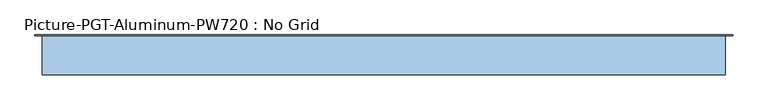
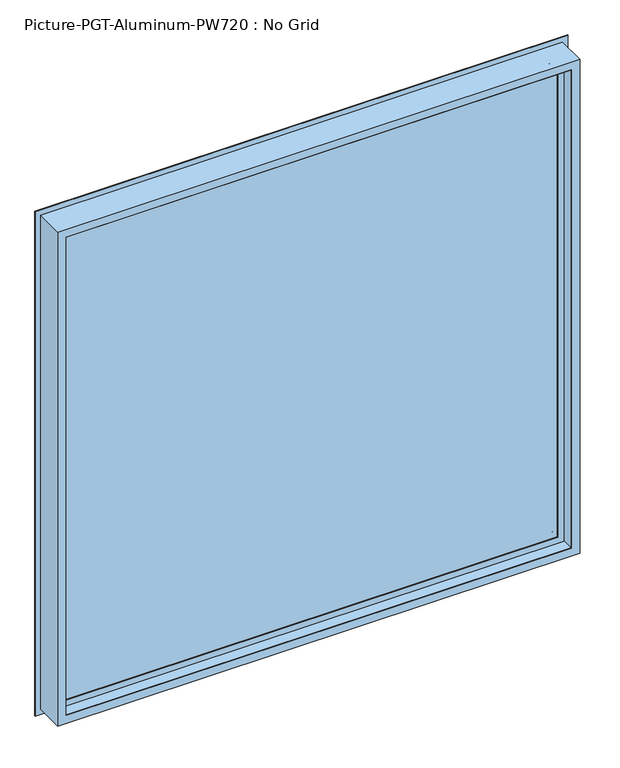
"""IFC4 building model written with IfcOpenShell, lengths in millimetres: window geometry, Picture-PGT-Aluminum-PW720 : No Grid."""

from ifc_helpers import new_model, si_unit, frame, origin, place, context, project, spatial, polyline, ellipse_curve, outline, extrude, source, transform, mapped, element, save
from ifc_brep_helpers import plane_surface, cylinder_surface, advanced_brep


def picture_pgt_aluminum_pw720_no_grid_eeba3cb1(model_context):
    return source(origin(), model_context, "Body", "SolidModel", [
        advanced_brep(
        [(609.5875695, 32.3276931, 2133.5875695), (609.5875695, 101.6, 2133.5875695), (-609.5875695, 101.6, 2133.5875695), (-609.5875695, 32.3276931, 2133.5875695), (590.0895094, 33.6227814, 2114.0895094), (590.0895094, 32.3276931, 2114.0895094), (-590.0895094, 32.3276931, 2114.0895094), (-590.0895094, 33.6227814, 2114.0895094), (589.2129627, 59.9568587, 2113.2129627), (589.2129627, 33.6227814, 2113.2129627), (-589.2129627, 33.6227814, 2113.2129627), (-589.2129627, 59.9568587, 2113.2129627), (574.675, 62.3381325, 2098.675), (574.675, 59.9568587, 2098.675), (-574.675, 59.9568587, 2098.675), (-574.675, 62.3381325, 2098.675), (596.9002227, 92.8191112, 2120.9002227), (596.9002227, 62.3381325, 2120.9002227), (-596.9002227, 62.3381325, 2120.9002227), (-596.9002227, 92.8191112, 2120.9002227), (581.2746717, 90.3414889, 2105.2746717), (581.2746717, 92.8191112, 2105.2746717), (-581.2746717, 92.8191112, 2105.2746717), (-581.2746717, 90.3414889, 2105.2746717), (576.2110864, 92.8191112, 2100.2110864), (576.2110864, 90.3414889, 2100.2110864), (-576.2110864, 90.3414889, 2100.2110864), (-576.2110864, 92.8191112, 2100.2110864), (574.675, 101.6, 2098.675), (574.675, 92.8191112, 2098.675), (-574.675, 92.8191112, 2098.675), (-574.675, 101.6, 2098.675), (596.9002227, 103.0416325, 2120.9002227), (596.9002227, 101.6, 2120.9002227), (-596.9002227, 101.6, 2120.9002227), (-596.9002227, 103.0416325, 2120.9002227), (622.2875695, 101.6, 2146.2875695), (622.2875695, 103.0416325, 2146.2875695), (-622.2875695, 103.0416325, 2146.2875695), (-622.2875695, 101.6, 2146.2875695), (-609.5875695, 101.6, 914.4124305), (-609.5875695, 32.3276931, 914.4124305), (-590.0895094, 32.3276931, 933.9104906), (-590.0895094, 33.6227814, 933.9104906), (-589.2129627, 33.6227814, 934.7870373), (-589.2129627, 59.9568587, 934.7870373), (-574.675, 59.9568587, 949.325), (-574.675, 62.3381325, 949.325), (-596.9002227, 62.3381325, 927.0997773), (-596.9002227, 92.8191112, 927.0997773), (-581.2746717, 92.8191112, 942.7253283), (-581.2746717, 90.3414889, 942.7253283), (-576.2110864, 90.3414889, 947.7889136), (-576.2110864, 92.8191112, 947.7889136), (-574.675, 92.8191112, 949.325), (-574.675, 101.6, 949.325), (-596.9002227, 101.6, 927.0997773), (-596.9002227, 103.0416325, 927.0997773), (-622.2875695, 103.0416325, 901.7124305), (-622.2875695, 101.6, 901.7124305), (609.5875695, 101.6, 914.4124305), (609.5875695, 32.3276931, 914.4124305), (590.0895094, 32.3276931, 933.9104906), (590.0895094, 33.6227814, 933.9104906), (589.2129627, 33.6227814, 934.7870373), (589.2129627, 59.9568587, 934.7870373), (574.675, 59.9568587, 949.325), (574.675, 62.3381325, 949.325), (596.9002227, 62.3381325, 927.0997773), (596.9002227, 92.8191112, 927.0997773), (581.2746717, 92.8191112, 942.7253283), (581.2746717, 90.3414889, 942.7253283), (576.2110864, 90.3414889, 947.7889136), (576.2110864, 92.8191112, 947.7889136), (574.675, 92.8191112, 949.325), (574.675, 101.6, 949.325), (596.9002227, 101.6, 927.0997773), (596.9002227, 103.0416325, 927.0997773), (622.2875695, 103.0416325, 901.7124305), (622.2875695, 101.6, 901.7124305)],
        [
            (0, 1),
            (1, 2),
            (2, 3),
            (3, 0),
            (4, 5),
            (5, 6),
            (6, 7),
            (7, 4),
            (8, 9),
            (9, 10),
            (10, 11),
            (11, 8),
            (12, 13),
            (13, 14),
            (14, 15),
            (15, 12),
            (16, 17),
            (17, 18),
            (18, 19),
            (19, 16),
            (20, 21, ellipse_curve(frame((581.2746717, 91.5803, 2105.2746717), z_axis=(-0.7071067811865475, 0.0, 0.7071067811865475), x_axis=(0.7071067811865476, 0.0, 0.7071067811865474)), 1.7519436, 1.2388112)),
            (21, 22),
            (22, 23, ellipse_curve(frame((-581.2746717, 91.5803, 2105.2746717), z_axis=(0.7071067811865475, 0.0, 0.7071067811865475), x_axis=(0.7071067811865476, 0.0, -0.7071067811865474)), 1.7519436, 1.2388112)),
            (23, 20),
            (24, 25, ellipse_curve(frame((576.2110864, 91.5803, 2100.2110864), z_axis=(-0.7071067811865475, 0.0, 0.7071067811865475), x_axis=(0.7071067811865476, 0.0, 0.7071067811865474)), 1.7519436, 1.2388112)),
            (25, 26),
            (26, 27, ellipse_curve(frame((-576.2110864, 91.5803, 2100.2110864), z_axis=(0.7071067811865475, 0.0, 0.7071067811865475), x_axis=(0.7071067811865476, 0.0, -0.7071067811865474)), 1.7519436, 1.2388112)),
            (27, 24),
            (28, 29),
            (29, 30),
            (30, 31),
            (31, 28),
            (32, 33),
            (33, 34),
            (34, 35),
            (35, 32),
            (36, 37),
            (37, 38),
            (38, 39),
            (39, 36),
            (2, 40),
            (40, 41),
            (41, 3),
            (6, 42),
            (42, 43),
            (43, 7),
            (10, 44),
            (44, 45),
            (45, 11),
            (14, 46),
            (46, 47),
            (47, 15),
            (18, 48),
            (48, 49),
            (49, 19),
            (22, 50),
            (50, 51, ellipse_curve(frame((-581.2746717, 91.5803, 942.7253283), z_axis=(-0.7071067811865475, 0.0, 0.7071067811865475), x_axis=(0.7071067811865474, 0.0, 0.7071067811865476)), 1.7519436, 1.2388112)),
            (51, 23),
            (26, 52),
            (52, 53, ellipse_curve(frame((-576.2110864, 91.5803, 947.7889136), z_axis=(-0.7071067811865475, 0.0, 0.7071067811865475), x_axis=(0.7071067811865474, 0.0, 0.7071067811865476)), 1.7519436, 1.2388112)),
            (53, 27),
            (30, 54),
            (54, 55),
            (55, 31),
            (34, 56),
            (56, 57),
            (57, 35),
            (38, 58),
            (58, 59),
            (59, 39),
            (40, 60),
            (60, 61),
            (61, 41),
            (42, 62),
            (62, 63),
            (63, 43),
            (44, 64),
            (64, 65),
            (65, 45),
            (46, 66),
            (66, 67),
            (67, 47),
            (48, 68),
            (68, 69),
            (69, 49),
            (50, 70),
            (70, 71, ellipse_curve(frame((581.2746717, 91.5803, 942.7253283), z_axis=(-0.7071067811865475, 0.0, -0.7071067811865475), x_axis=(-0.7071067811865476, 0.0, 0.7071067811865474)), 1.7519436, 1.2388112)),
            (71, 51),
            (52, 72),
            (72, 73, ellipse_curve(frame((576.2110864, 91.5803, 947.7889136), z_axis=(-0.7071067811865475, 0.0, -0.7071067811865475), x_axis=(-0.7071067811865476, 0.0, 0.7071067811865474)), 1.7519436, 1.2388112)),
            (73, 53),
            (54, 74),
            (74, 75),
            (75, 55),
            (56, 76),
            (76, 77),
            (77, 57),
            (58, 78),
            (78, 79),
            (79, 59),
            (60, 1),
            (0, 61),
            (5, 62),
            (4, 63),
            (9, 64),
            (8, 65),
            (13, 66),
            (12, 67),
            (17, 68),
            (16, 69),
            (21, 70),
            (20, 71),
            (25, 72),
            (24, 73),
            (29, 74),
            (28, 75),
            (33, 76),
            (32, 77),
            (37, 78),
            (36, 79),
        ],
        [
            plane_surface(frame((609.5875695, 101.6, 2133.5875695), z_axis=(0.0, 0.0, 1.0), x_axis=(-1.0, 0.0, 0.0))),
            plane_surface(frame((590.0895094, 32.3276931, 2114.0895094), z_axis=(0.0, 0.0, -1.0), x_axis=(-1.0, 0.0, 0.0))),
            plane_surface(frame((589.2129627, 33.6227814, 2113.2129627), z_axis=(0.0, 0.0, -1.0), x_axis=(-1.0, 0.0, 0.0))),
            plane_surface(frame((574.675, 59.9568587, 2098.675), z_axis=(0.0, 0.0, -1.0), x_axis=(-1.0, 0.0, 0.0))),
            plane_surface(frame((596.9002227, 62.3381325, 2120.9002227), z_axis=(0.0, 0.0, -1.0), x_axis=(-1.0, 0.0, 0.0))),
            cylinder_surface(frame((574.675, 91.5803, 2105.2746717), z_axis=(1.0, 0.0, 0.0), x_axis=(0.0, 0.0, 1.0)), 1.2388112),
            cylinder_surface(frame((574.675, 91.5803, 2100.2110864), z_axis=(1.0, 0.0, 0.0), x_axis=(0.0, 0.0, -1.0)), 1.2388112),
            plane_surface(frame((574.675, 92.8191112, 2098.675), z_axis=(0.0, 0.0, -1.0), x_axis=(-1.0, 0.0, 0.0))),
            plane_surface(frame((596.9002227, 101.6, 2120.9002227), z_axis=(0.0, 0.0, -1.0), x_axis=(-1.0, 0.0, 0.0))),
            plane_surface(frame((622.2875695, 103.0416325, 2146.2875695), z_axis=(0.0, 0.0, 1.0), x_axis=(-1.0, 0.0, 0.0))),
            plane_surface(frame((-609.5875695, 101.6, 2133.5875695), z_axis=(-1.0, 0.0, 0.0), x_axis=(0.0, 0.0, -1.0))),
            plane_surface(frame((-590.0895094, 32.3276931, 2114.0895094), z_axis=(1.0, 0.0, 0.0), x_axis=(0.0, 0.0, -1.0))),
            plane_surface(frame((-589.2129627, 33.6227814, 2113.2129627), z_axis=(1.0, 0.0, 0.0), x_axis=(0.0, 0.0, -1.0))),
            plane_surface(frame((-574.675, 59.9568587, 2098.675), z_axis=(1.0, 0.0, 0.0), x_axis=(0.0, 0.0, -1.0))),
            plane_surface(frame((-596.9002227, 62.3381325, 2120.9002227), z_axis=(1.0, 0.0, 0.0), x_axis=(0.0, 0.0, -1.0))),
            cylinder_surface(frame((-581.2746717, 91.5803, 2098.675), z_axis=(0.0, 0.0, 1.0), x_axis=(-1.0, 0.0, 0.0)), 1.2388112),
            cylinder_surface(frame((-576.2110864, 91.5803, 2098.675), z_axis=(0.0, 0.0, 1.0), x_axis=(1.0, 0.0, 0.0)), 1.2388112),
            plane_surface(frame((-574.675, 92.8191112, 2098.675), z_axis=(1.0, 0.0, 0.0), x_axis=(0.0, 0.0, -1.0))),
            plane_surface(frame((-596.9002227, 101.6, 2120.9002227), z_axis=(1.0, 0.0, 0.0), x_axis=(0.0, 0.0, -1.0))),
            plane_surface(frame((-622.2875695, 103.0416325, 2146.2875695), z_axis=(-1.0, 0.0, 0.0), x_axis=(0.0, 0.0, -1.0))),
            plane_surface(frame((-609.5875695, 101.6, 914.4124305), z_axis=(0.0, 0.0, -1.0), x_axis=(1.0, 0.0, 0.0))),
            plane_surface(frame((-590.0895094, 32.3276931, 933.9104906), z_axis=(0.0, 0.0, 1.0), x_axis=(1.0, 0.0, 0.0))),
            plane_surface(frame((-589.2129627, 33.6227814, 934.7870373), z_axis=(0.0, 0.0, 1.0), x_axis=(1.0, 0.0, 0.0))),
            plane_surface(frame((-574.675, 59.9568587, 949.325), z_axis=(0.0, 0.0, 1.0), x_axis=(1.0, 0.0, 0.0))),
            plane_surface(frame((-596.9002227, 62.3381325, 927.0997773), z_axis=(0.0, 0.0, 1.0), x_axis=(1.0, 0.0, 0.0))),
            cylinder_surface(frame((-574.675, 91.5803, 942.7253283), z_axis=(-1.0, 0.0, 0.0), x_axis=(0.0, 0.0, -1.0)), 1.2388112),
            cylinder_surface(frame((-574.675, 91.5803, 947.7889136), z_axis=(-1.0, 0.0, 0.0), x_axis=(0.0, 0.0, 1.0)), 1.2388112),
            plane_surface(frame((-574.675, 92.8191112, 949.325), z_axis=(0.0, 0.0, 1.0), x_axis=(1.0, 0.0, 0.0))),
            plane_surface(frame((-596.9002227, 101.6, 927.0997773), z_axis=(0.0, 0.0, 1.0), x_axis=(1.0, 0.0, 0.0))),
            plane_surface(frame((-622.2875695, 103.0416325, 901.7124305), z_axis=(0.0, 0.0, -1.0), x_axis=(1.0, 0.0, 0.0))),
            plane_surface(frame((609.5875695, 101.6, 914.4124305), z_axis=(1.0, 0.0, 0.0), x_axis=(0.0, 0.0, 1.0))),
            plane_surface(frame((609.5875695, 32.3276931, 914.4124305), z_axis=(0.0, -1.0, 0.0), x_axis=(0.0, 0.0, 1.0))),
            plane_surface(frame((590.0895094, 32.3276931, 933.9104906), z_axis=(-1.0, 0.0, 0.0), x_axis=(0.0, 0.0, 1.0))),
            plane_surface(frame((590.0895094, 33.6227814, 933.9104906), z_axis=(0.0, -1.0, 0.0), x_axis=(0.0, 0.0, 1.0))),
            plane_surface(frame((589.2129627, 33.6227814, 934.7870373), z_axis=(-1.0, 0.0, 0.0), x_axis=(0.0, 0.0, 1.0))),
            plane_surface(frame((589.2129627, 59.9568587, 934.7870373), z_axis=(0.0, -1.0, 0.0), x_axis=(0.0, 0.0, 1.0))),
            plane_surface(frame((574.675, 59.9568587, 949.325), z_axis=(-1.0, 0.0, 0.0), x_axis=(0.0, 0.0, 1.0))),
            plane_surface(frame((574.675, 62.3381325, 949.325), z_axis=(0.0, 1.0, 0.0), x_axis=(0.0, 0.0, 1.0))),
            plane_surface(frame((596.9002227, 62.3381325, 927.0997773), z_axis=(-1.0, 0.0, 0.0), x_axis=(0.0, 0.0, 1.0))),
            plane_surface(frame((596.9002227, 92.8191112, 927.0997773), z_axis=(0.0, -1.0, 0.0), x_axis=(0.0, 0.0, 1.0))),
            cylinder_surface(frame((581.2746717, 91.5803, 949.325), z_axis=(0.0, 0.0, -1.0), x_axis=(1.0, 0.0, 0.0)), 1.2388112),
            plane_surface(frame((581.2746717, 90.3414889, 942.7253283), z_axis=(0.0, -1.0, 0.0), x_axis=(0.0, 0.0, 1.0))),
            cylinder_surface(frame((576.2110864, 91.5803, 949.325), z_axis=(0.0, 0.0, -1.0), x_axis=(-1.0, 0.0, 0.0)), 1.2388112),
            plane_surface(frame((576.2110864, 92.8191112, 947.7889136), z_axis=(0.0, -1.0, 0.0), x_axis=(0.0, 0.0, 1.0))),
            plane_surface(frame((574.675, 92.8191112, 949.325), z_axis=(-1.0, 0.0, 0.0), x_axis=(0.0, 0.0, 1.0))),
            plane_surface(frame((574.675, 101.6, 949.325), z_axis=(0.0, 1.0, 0.0), x_axis=(0.0, 0.0, 1.0))),
            plane_surface(frame((596.9002227, 101.6, 927.0997773), z_axis=(-1.0, 0.0, 0.0), x_axis=(0.0, 0.0, 1.0))),
            plane_surface(frame((596.9002227, 103.0416325, 927.0997773), z_axis=(0.0, 1.0, 0.0), x_axis=(0.0, 0.0, 1.0))),
            plane_surface(frame((622.2875695, 103.0416325, 901.7124305), z_axis=(1.0, 0.0, 0.0), x_axis=(0.0, 0.0, 1.0))),
            plane_surface(frame((622.2875695, 101.6, 901.7124305), z_axis=(0.0, -1.0, 0.0), x_axis=(0.0, 0.0, 1.0))),
        ],
        [
            (0, [[1, 2, 3, 4]]),
            (1, [[5, 6, 7, 8]]),
            (2, [[9, 10, 11, 12]]),
            (3, [[13, 14, 15, 16]]),
            (4, [[17, 18, 19, 20]]),
            (5, [[21, 22, 23, 24]]),
            (6, [[25, 26, 27, 28]]),
            (7, [[29, 30, 31, 32]]),
            (8, [[33, 34, 35, 36]]),
            (9, [[37, 38, 39, 40]]),
            (10, [[-3, 41, 42, 43]]),
            (11, [[-7, 44, 45, 46]]),
            (12, [[-11, 47, 48, 49]]),
            (13, [[-15, 50, 51, 52]]),
            (14, [[-19, 53, 54, 55]]),
            (15, [[-23, 56, 57, 58]]),
            (16, [[-27, 59, 60, 61]]),
            (17, [[-31, 62, 63, 64]]),
            (18, [[-35, 65, 66, 67]]),
            (19, [[-39, 68, 69, 70]]),
            (20, [[-42, 71, 72, 73]]),
            (21, [[-45, 74, 75, 76]]),
            (22, [[-48, 77, 78, 79]]),
            (23, [[-51, 80, 81, 82]]),
            (24, [[-54, 83, 84, 85]]),
            (25, [[-57, 86, 87, 88]]),
            (26, [[-60, 89, 90, 91]]),
            (27, [[-63, 92, 93, 94]]),
            (28, [[-66, 95, 96, 97]]),
            (29, [[-69, 98, 99, 100]]),
            (30, [[-72, 101, -1, 102]]),
            (31, [[-43, -73, -102, -4], [103, -74, -44, -6]]),
            (32, [[-75, -103, -5, 104]]),
            (33, [[-46, -76, -104, -8], [105, -77, -47, -10]]),
            (34, [[-78, -105, -9, 106]]),
            (35, [[-49, -79, -106, -12], [107, -80, -50, -14]]),
            (36, [[-81, -107, -13, 108]]),
            (37, [[109, -83, -53, -18], [-52, -82, -108, -16]]),
            (38, [[-84, -109, -17, 110]]),
            (39, [[-55, -85, -110, -20], [111, -86, -56, -22]]),
            (40, [[-87, -111, -21, 112]]),
            (41, [[-58, -88, -112, -24], [113, -89, -59, -26]]),
            (42, [[-90, -113, -25, 114]]),
            (43, [[-61, -91, -114, -28], [115, -92, -62, -30]]),
            (44, [[-93, -115, -29, 116]]),
            (45, [[117, -95, -65, -34], [-64, -94, -116, -32]]),
            (46, [[-96, -117, -33, 118]]),
            (47, [[119, -98, -68, -38], [-67, -97, -118, -36]]),
            (48, [[-99, -119, -37, 120]]),
            (49, [[-70, -100, -120, -40], [-101, -71, -41, -2]]),
        ],
    ),
        extrude(outline(polyline([(-574.675, 90.3414889), (574.675, 90.3414889), (574.675, 62.3681172), (-574.675, 62.3681172), (-574.675, 90.3414889)])), frame((0.0, 0.0, 949.3188172), z_axis=(0.0, 0.0, 1.0), x_axis=(1.0, 0.0, 0.0)), (0.0, 0.0, 1.0), 1149.3623656),
    ])


if __name__ == "__main__":
    model = new_model("IFC4")
    model_context = context("Model", 3, world=origin())
    ifc_project = project(units=[si_unit("LENGTHUNIT", "METRE", prefix="MILLI")], contexts=[model_context])
    site = spatial("IfcSite", under=ifc_project)
    building = spatial("IfcBuilding", under=site)
    placement = place(None, origin())
    picture_pgt_aluminum_pw720_no_grid_shape = picture_pgt_aluminum_pw720_no_grid_eeba3cb1(model_context)
    element("IfcWindow", 1, ObjectType="Picture-PGT-Aluminum-PW720 : No Grid", at=placement, inside=building, context=model_context, shape_type="MappedRepresentation", body=[
        mapped(picture_pgt_aluminum_pw720_no_grid_shape, transform((0.0, 0.0, 0.0), x_axis=(1.0, 0.0, 0.0), y_axis=(0.0, 1.0, 0.0), z_axis=(0.0, 0.0, 1.0))),
    ])
    save(model, "model.ifc")
